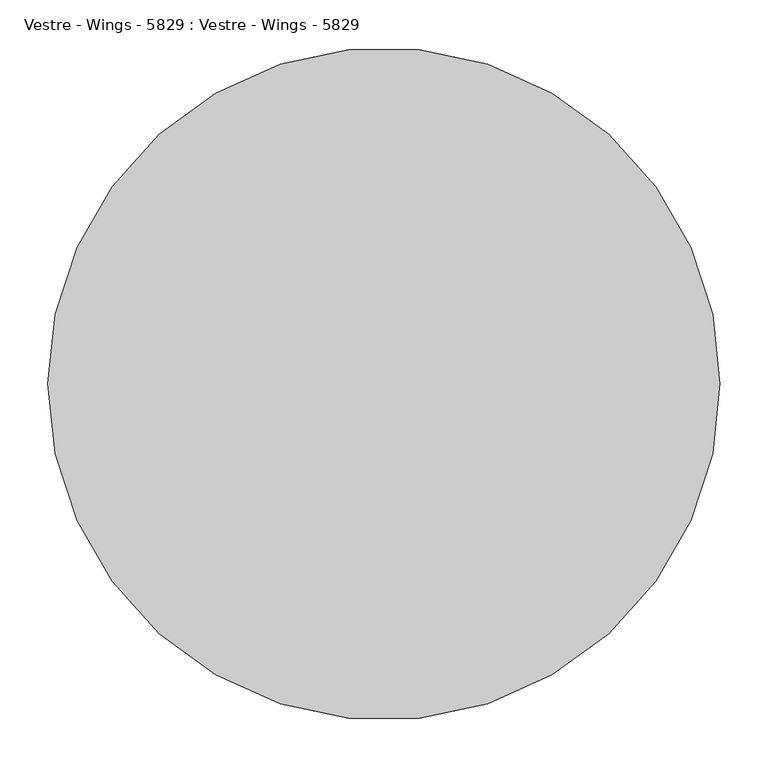
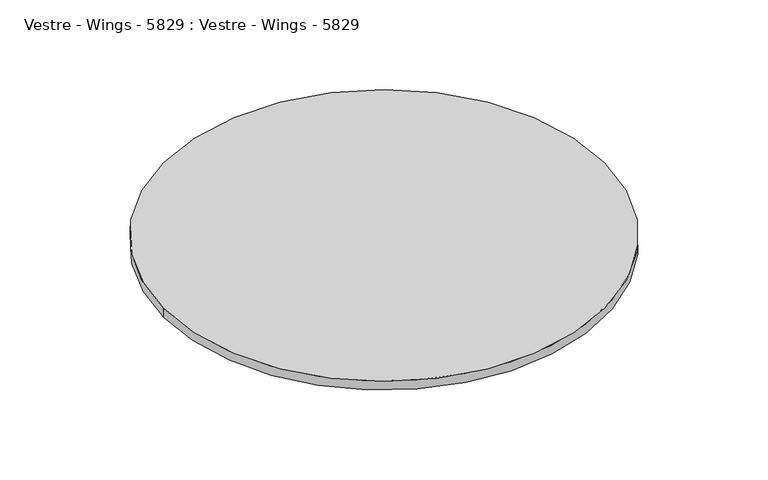
"""IFC4 building model written with IfcOpenShell, lengths in millimetres: furniture geometry, Vestre - Wings - 5829 : Vestre - Wings - 5829."""

import ifcopenshell
import ifcopenshell.guid

model = None  # the IFC model being written
_history = None  # IfcOwnerHistory: only IFC2X3 demands one
_inside = {}  # id of a spatial element -> (the spatial element, [elements in it])
_under = {}  # id of a project, library or spatial element -> (it, [spatial elements below it])
_declared = {}  # id of a project -> (the project, [libraries it declares])
_typed = {}  # id of a type object -> (the type object, [elements of that type])
_made_of = {}  # id of a material, layer set ... -> (it, [elements and type objects made of it])


def new_model(schema):
    """Start an empty IFC model of exactly this schema.

    Asked for "IFC4X3", IfcOpenShell would pick the latest addendum, in which some entities
    have other attributes; the version numbers below select the first issue.
    IFC2X3 requires an IfcOwnerHistory on every rooted entity: one is made here for all.
    """
    global model, _history
    if schema == "IFC4X3":
        model = ifcopenshell.file(schema_version=(4, 3, 0, 0))
    else:
        model = ifcopenshell.file(schema=schema)
    _inside.clear()
    _under.clear()
    _declared.clear()
    _typed.clear()
    _made_of.clear()
    _history = None
    if model.schema == "IFC2X3":
        org = make("IfcOrganization", Name="unknown")
        user = make(
            "IfcPersonAndOrganization",
            ThePerson=make("IfcPerson", FamilyName="unknown"),
            TheOrganization=org,
        )
        app = make(
            "IfcApplication",
            ApplicationDeveloper=org,
            Version="unknown",
            ApplicationFullName="unknown",
            ApplicationIdentifier="unknown",
        )
        _history = make(
            "IfcOwnerHistory",
            OwningUser=user,
            OwningApplication=app,
            ChangeAction="ADDED",
            CreationDate=0,
        )
    return model


def make(cls, **values):
    """One entity of the class cls with the attributes given. An attribute that is None is left unset."""
    return model.create_entity(
        cls, **{name: value for name, value in values.items() if value is not None}
    )


def rooted(cls, **values):
    """An entity with a GlobalId (a new one), such as an element, a storey or a relation."""
    return make(cls, GlobalId=ifcopenshell.guid.new(), OwnerHistory=_history, **values)


def si_unit(unit_type, name, prefix=None):
    """IfcSIUnit, for example si_unit("LENGTHUNIT", "METRE", prefix="MILLI")."""
    return make("IfcSIUnit", UnitType=unit_type, Prefix=prefix, Name=name)


def assignment(units):
    """IfcUnitAssignment: the units of a project."""
    return None if units is None else make("IfcUnitAssignment", Units=units)


def point(xyz):
    """IfcCartesianPoint."""
    return None if xyz is None else make("IfcCartesianPoint", Coordinates=xyz)


def direction(xyz):
    """IfcDirection."""
    return None if xyz is None else make("IfcDirection", DirectionRatios=xyz)


def frame(location, z_axis=None, x_axis=None):
    """IfcAxis2Placement3D, a coordinate frame: its origin and axes. An axis left out is left unset."""
    return make(
        "IfcAxis2Placement3D",
        Location=point(location),
        Axis=direction(z_axis),
        RefDirection=direction(x_axis),
    )


def frame_2d(location, x_axis=None):
    """IfcAxis2Placement2D, a coordinate frame in the plane: its origin and x axis."""
    return make(
        "IfcAxis2Placement2D", Location=point(location), RefDirection=direction(x_axis)
    )


def origin():
    """The frame at (0, 0, 0) with its axes left unset."""
    return frame((0.0, 0.0, 0.0))


def origin_with_axes():
    """The frame at (0, 0, 0) with the z axis (0, 0, 1) and the x axis (1, 0, 0) written out."""
    return frame((0.0, 0.0, 0.0), z_axis=(0.0, 0.0, 1.0), x_axis=(1.0, 0.0, 0.0))


def origin_2d():
    """The frame at (0, 0) in the plane with its x axis left unset."""
    return frame_2d((0.0, 0.0))


def place(relative_to, where):
    """IfcLocalPlacement: puts the frame where relative to a parent placement (None: the world)."""
    return make(
        "IfcLocalPlacement", PlacementRelTo=relative_to, RelativePlacement=where
    )


def context(
    kind, dimensions, precision=None, world=None, true_north=None, identifier=None
):
    """IfcGeometricRepresentationContext, for example the 3D "Model" context."""
    return make(
        "IfcGeometricRepresentationContext",
        ContextIdentifier=identifier,
        ContextType=kind,
        CoordinateSpaceDimension=dimensions,
        Precision=precision,
        WorldCoordinateSystem=world,
        TrueNorth=true_north,
    )


def project(units=None, contexts=None):
    """IfcProject with its units and contexts."""
    return rooted(
        "IfcProject",
        Name="project",
        RepresentationContexts=contexts,
        UnitsInContext=assignment(units),
    )


def spatial(cls, under=None, at=None, **own):
    """A site, building, storey or space (cls), placed at a placement, below another one or the project."""
    s = rooted(cls, ObjectPlacement=at, **own)
    if under is not None:
        _under.setdefault(under.id(), (under, []))[1].append(s)
    return s


def circle_curve(where, radius):
    """IfcCircle in the frame where."""
    return make("IfcCircle", Position=where, Radius=radius)


def trimmed(basis, trim1, trim2, sense, master):
    """IfcTrimmedCurve: the piece of a basis curve between two trims."""
    return make(
        "IfcTrimmedCurve",
        BasisCurve=basis,
        Trim1=trim1,
        Trim2=trim2,
        SenseAgreement=sense,
        MasterRepresentation=master,
    )


def segment(curve, same_sense, transition):
    """IfcCompositeCurveSegment."""
    return make(
        "IfcCompositeCurveSegment",
        Transition=transition,
        SameSense=same_sense,
        ParentCurve=curve,
    )


def composite_curve(segments, self_intersect=None):
    """IfcCompositeCurve: segments joined end to end."""
    return make("IfcCompositeCurve", Segments=segments, SelfIntersect=self_intersect)


def outline(outer, holes=None, kind="AREA"):
    """IfcArbitraryClosedProfileDef: a profile drawn as a closed curve; with holes, ...WithVoids."""
    if holes is None:
        return make("IfcArbitraryClosedProfileDef", ProfileType=kind, OuterCurve=outer)
    return make(
        "IfcArbitraryProfileDefWithVoids",
        ProfileType=kind,
        OuterCurve=outer,
        InnerCurves=holes,
    )


def extrude(swept, where, along, depth):
    """IfcExtrudedAreaSolid: the profile swept, set in the frame where, extruded along a direction by depth."""
    return make(
        "IfcExtrudedAreaSolid",
        SweptArea=swept,
        Position=where,
        ExtrudedDirection=direction(along),
        Depth=depth,
    )


def shape(context_of_items, identifier, shape_type, items):
    """IfcShapeRepresentation: the items that make up one representation, for example the "Body"."""
    return make(
        "IfcShapeRepresentation",
        ContextOfItems=context_of_items,
        RepresentationIdentifier=identifier,
        RepresentationType=shape_type,
        Items=items,
    )


def source(mapping_origin, context_of_items, identifier, shape_type, items):
    """IfcRepresentationMap: a shape defined once, which mapped items show again and again."""
    return make(
        "IfcRepresentationMap",
        MappingOrigin=mapping_origin,
        MappedRepresentation=shape(context_of_items, identifier, shape_type, items),
    )


def transform(
    local_origin,
    x_axis=None,
    y_axis=None,
    z_axis=None,
    scale=None,
    scale2=None,
    scale3=None,
    uniform=True,
):
    """IfcCartesianTransformationOperator3D, or its non-uniform kind. x_axis, y_axis, z_axis: its Axis1, 2, 3."""
    if uniform:
        return make(
            "IfcCartesianTransformationOperator3D",
            Axis1=direction(x_axis),
            Axis2=direction(y_axis),
            LocalOrigin=point(local_origin),
            Scale=scale,
            Axis3=direction(z_axis),
        )
    return make(
        "IfcCartesianTransformationOperator3DnonUniform",
        Axis1=direction(x_axis),
        Axis2=direction(y_axis),
        LocalOrigin=point(local_origin),
        Scale=scale,
        Axis3=direction(z_axis),
        Scale2=scale2,
        Scale3=scale3,
    )


def mapped(mapping_source, mapping_target):
    """IfcMappedItem: shows the shape of a source again, moved by a transform."""
    return make(
        "IfcMappedItem", MappingSource=mapping_source, MappingTarget=mapping_target
    )


def made_of(thing, what):
    """Note that an element or type object is made of a material, layer set ...; save() writes the relation."""
    if what is not None:
        _made_of.setdefault(what.id(), (what, []))[1].append(thing)
    return thing


def element(
    cls,
    number,
    at=None,
    inside=None,
    cuts=None,
    type_object=None,
    material=None,
    context=None,
    identifier="Body",
    shape_type=None,
    held_by="IfcProductDefinitionShape",
    body=None,
    shapes=None,
    **own,
):
    """One element of the class cls, such as IfcWall. Its Tag is "e" and its number.

    at: its placement. inside: the storey or other place that contains it. cuts: it is an
    opening in that element (IfcRelVoidsElement). A single representation is given by context,
    identifier, shape_type and body (its items); several are given by shapes. held_by: the class
    of the entity that holds the representations. save() writes the other relations.
    """
    e = rooted(cls, Tag="e%d" % number, ObjectPlacement=at, **own)
    if body is not None:
        shapes = [shape(context, identifier, shape_type, body)]
    if shapes is not None:
        e.Representation = make(held_by, Representations=shapes)
    if inside is not None:
        _inside.setdefault(inside.id(), (inside, []))[1].append(e)
    if cuts is not None:
        rooted(
            "IfcRelVoidsElement", RelatingBuildingElement=cuts, RelatedOpeningElement=e
        )
    if type_object is not None:
        _typed.setdefault(type_object.id(), (type_object, []))[1].append(e)
    return made_of(e, material)


def aggregate(whole, parts):
    """IfcRelAggregates: a whole, such as a stair, and the parts it consists of."""
    return rooted("IfcRelAggregates", RelatingObject=whole, RelatedObjects=parts)


def save(model, path):
    """Write the relations noted so far, then the file.

    IfcRelAggregates (storeys below a building ...), IfcRelContainedInSpatialStructure (elements
    in a storey), IfcRelDefinesByType, IfcRelAssociatesMaterial and IfcRelDeclares: one each for
    every whole, place, type object, material and project.
    """
    for whole, parts in _under.values():
        aggregate(whole, parts)
    for where, things in _inside.values():
        rooted(
            "IfcRelContainedInSpatialStructure",
            RelatedElements=things,
            RelatingStructure=where,
        )
    for kind, things in _typed.values():
        rooted("IfcRelDefinesByType", RelatedObjects=things, RelatingType=kind)
    for what, things in _made_of.values():
        rooted("IfcRelAssociatesMaterial", RelatedObjects=things, RelatingMaterial=what)
    for by, libraries in _declared.values():
        rooted("IfcRelDeclares", RelatingContext=by, RelatedDefinitions=libraries)
    model.write(path)


def vestre_wings_5829_vestre_wings_5829_73c628df(model_context):
    return source(origin(), model_context, "Body", "SweptSolid", [
        extrude(outline(composite_curve([segment(trimmed(circle_curve(origin_2d(), 350.0), [point((-350.0, 0.0))], [point((350.0, 0.0))], False, "CARTESIAN"), True, "CONTINUOUS"), segment(trimmed(circle_curve(origin_2d(), 350.0), [point((350.0, 0.0))], [point((-350.0, 0.0))], False, "CARTESIAN"), True, "CONTINUOUS")], self_intersect=False)), origin_with_axes(), (0.0, 0.0, 1.0), 15.0),
    ])


if __name__ == "__main__":
    model = new_model("IFC4")
    model_context = context("Model", 3, world=origin())
    ifc_project = project(units=[si_unit("LENGTHUNIT", "METRE", prefix="MILLI")], contexts=[model_context])
    site = spatial("IfcSite", under=ifc_project)
    building = spatial("IfcBuilding", under=site)
    placement = place(None, origin())
    vestre_wings_5829_vestre_wings_5829_shape = vestre_wings_5829_vestre_wings_5829_73c628df(model_context)
    element("IfcFurniture", 1, ObjectType="Vestre - Wings - 5829 : Vestre - Wings - 5829", at=placement, inside=building, context=model_context, shape_type="MappedRepresentation", body=[
        mapped(vestre_wings_5829_vestre_wings_5829_shape, transform((0.0, 0.0, 0.0), x_axis=(1.0, 0.0, 0.0), y_axis=(0.0, 1.0, 0.0), z_axis=(0.0, 0.0, 1.0))),
    ])
    save(model, "model.ifc")
